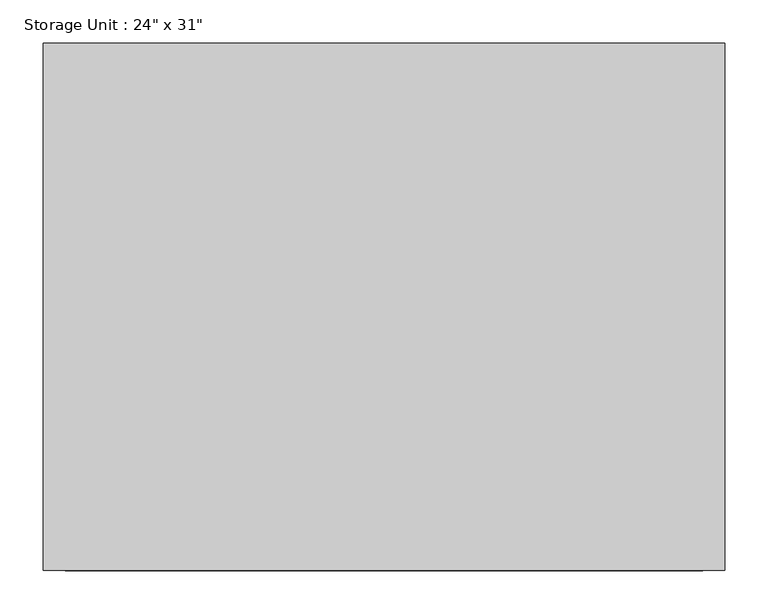
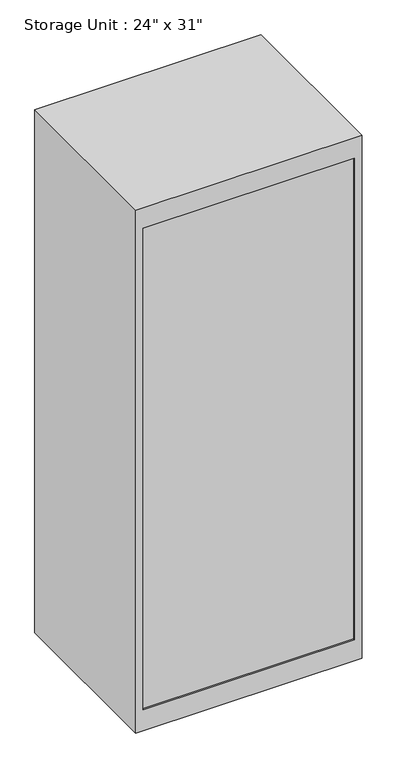
"""IFC4 building model written with IfcOpenShell, lengths in millimetres: furniture geometry."""

from ifc_helpers import new_model, si_unit, origin, place, context, project, spatial, faceted_brep, source, transform, mapped, element, save


def furniture_0429e4e4(model_context):
    return source(origin(), model_context, "Body", "Brep", [
        faceted_brep([(393.7, -304.8, 1925.0), (393.7, 304.8, 1925.0), (-393.7, 304.8, 1925.0), (-393.7, -304.8, 1925.0), (393.7, -304.8, 0.0), (-393.7, -304.8, 0.0), (-393.7, 304.8, 0.0), (393.7, 304.8, 0.0), (368.3, -304.8, 1848.8), (368.3, -304.8, 76.2), (-368.3, -304.8, 76.2), (-368.3, -304.8, 1848.8), (368.3, -298.45, 76.2), (368.3, -298.45, 1848.8), (-368.3, -298.45, 1848.8), (-368.3, -298.45, 76.2)], [[[0, 1, 2, 3]], [[4, 5, 6, 7]], [[1, 0, 4, 7]], [[2, 1, 7, 6]], [[3, 2, 6, 5]], [[0, 3, 5, 4], [8, 9, 10, 11]], [[12, 13, 14, 15]], [[13, 12, 9, 8]], [[14, 13, 8, 11]], [[15, 14, 11, 10]], [[12, 15, 10, 9]]]),
    ])


if __name__ == "__main__":
    model = new_model("IFC4")
    model_context = context("Model", 3, world=origin())
    ifc_project = project(units=[si_unit("LENGTHUNIT", "METRE", prefix="MILLI")], contexts=[model_context])
    site = spatial("IfcSite", under=ifc_project)
    building = spatial("IfcBuilding", under=site)
    placement = place(None, origin())
    furniture_shape = furniture_0429e4e4(model_context)
    element("IfcFurniture", 1, ObjectType="Storage Unit : 24\" x 31\"", at=placement, inside=building, context=model_context, shape_type="MappedRepresentation", body=[
        mapped(furniture_shape, transform((0.0, 0.0, 0.0), x_axis=(1.0, 0.0, 0.0), y_axis=(0.0, 1.0, 0.0), z_axis=(0.0, 0.0, 1.0))),
    ])
    save(model, "model.ifc")
